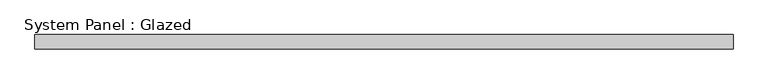
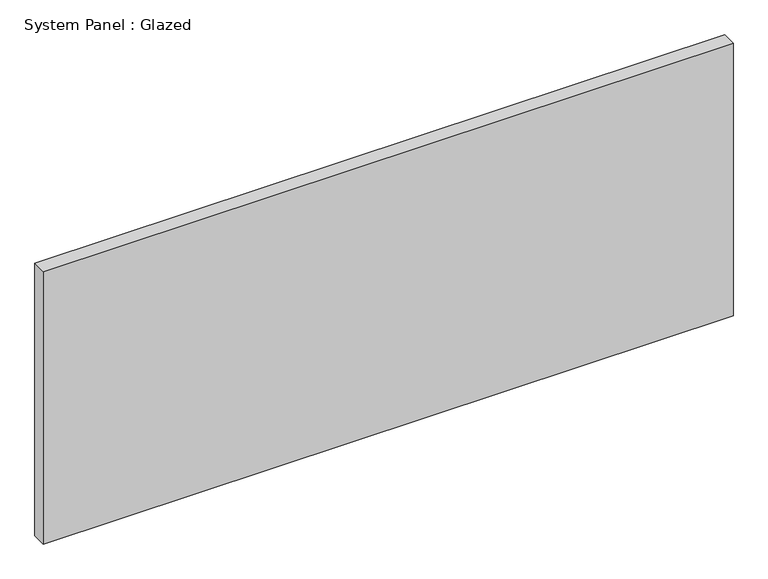
"""IFC4 building model written with IfcOpenShell, lengths in millimetres: plate geometry, System Panel : Glazed."""

from ifc_helpers import new_model, si_unit, origin, origin_with_axes, place, context, project, spatial, polyline, outline, extrude, source, transform, mapped, element, save


def system_panel_glazed_7e2c75ec(model_context):
    return source(origin(), model_context, "Body", "SweptSolid", [
        extrude(outline(polyline([(615.95, 19.05), (-615.95, 19.05), (-615.95, 44.45), (615.95, 44.45), (615.95, 19.05)])), origin_with_axes(), (0.0, 0.0, 1.0), 514.35),
    ])


if __name__ == "__main__":
    model = new_model("IFC4")
    model_context = context("Model", 3, world=origin())
    ifc_project = project(units=[si_unit("LENGTHUNIT", "METRE", prefix="MILLI")], contexts=[model_context])
    site = spatial("IfcSite", under=ifc_project)
    building = spatial("IfcBuilding", under=site)
    placement = place(None, origin())
    system_panel_glazed_shape = system_panel_glazed_7e2c75ec(model_context)
    element("IfcPlate", 1, ObjectType="System Panel : Glazed", at=placement, inside=building, context=model_context, shape_type="MappedRepresentation", body=[
        mapped(system_panel_glazed_shape, transform((0.0, 0.0, 0.0), x_axis=(1.0, 0.0, 0.0), y_axis=(0.0, 1.0, 0.0), z_axis=(0.0, 0.0, 1.0))),
    ])
    save(model, "model.ifc")
